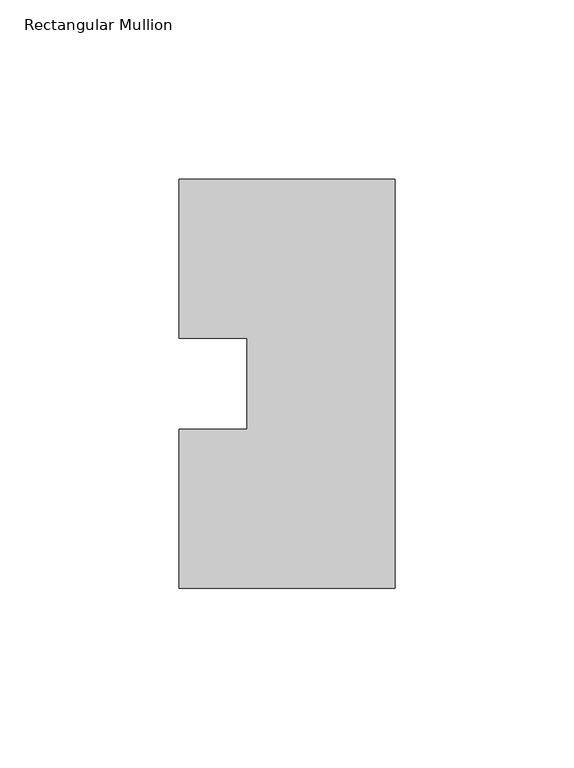
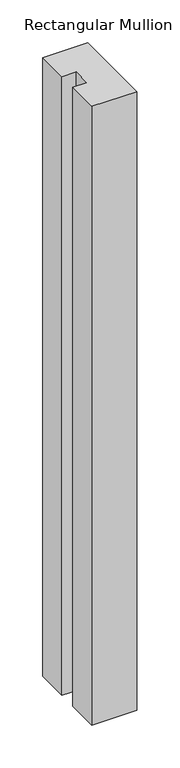
"""IFC4 building model written with IfcOpenShell, lengths in millimetres: member geometry, Rectangular Mullion."""

from ifc_helpers import new_model, si_unit, frame, origin, place, context, project, spatial, polyline, outline, extrude, source, transform, mapped, element, save


def rectangular_mullion_97ed95fd(model_context):
    return source(origin(), model_context, "Body", "SweptSolid", [
        extrude(outline(polyline([(-60.325, 57.15), (0.0, 57.15), (0.0, -57.15), (-60.325, -57.15), (-60.325, -12.7), (-41.275, -12.7), (-41.275, 12.7), (-60.325, 12.7), (-60.325, 57.15)])), frame((0.0, 0.0, -880.6344027), z_axis=(0.0, 0.0, 1.0), x_axis=(1.0, 0.0, 0.0)), (0.0, 0.0, 1.0), 880.6344027),
    ])


if __name__ == "__main__":
    model = new_model("IFC4")
    model_context = context("Model", 3, world=origin())
    ifc_project = project(units=[si_unit("LENGTHUNIT", "METRE", prefix="MILLI")], contexts=[model_context])
    site = spatial("IfcSite", under=ifc_project)
    building = spatial("IfcBuilding", under=site)
    placement = place(None, origin())
    rectangular_mullion_shape = rectangular_mullion_97ed95fd(model_context)
    element("IfcMember", 1, ObjectType="Rectangular Mullion", at=placement, inside=building, context=model_context, shape_type="MappedRepresentation", body=[
        mapped(rectangular_mullion_shape, transform((0.0, 0.0, 0.0), x_axis=(1.0, 0.0, 0.0), y_axis=(0.0, 1.0, 0.0), z_axis=(0.0, 0.0, 1.0))),
    ])
    save(model, "model.ifc")
